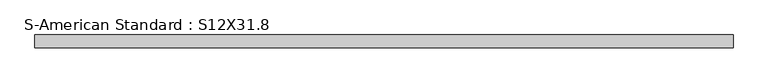
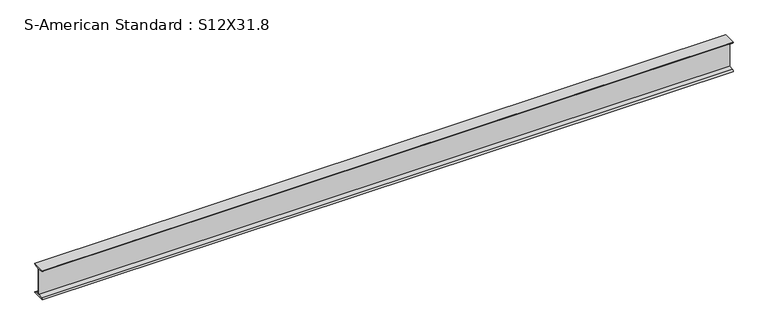
"""IFC4 building model written with IfcOpenShell, lengths in millimetres: beam geometry, S-American Standard : S12X31.8."""

from ifc_helpers import new_model, si_unit, point, frame, frame_2d, origin, place, context, project, spatial, polyline, circle_curve, trimmed, segment, composite_curve, outline, extrude, source, transform, mapped, element, save


def s_american_standard_s12x31_8_fdebaeaf(model_context):
    return source(origin(), model_context, "Body", "SweptSolid", [
        extrude(outline(composite_curve([segment(polyline([(-63.5, 152.4), (63.5, 152.4)]), True, "CONTINUOUS"), segment(trimmed(circle_curve(frame_2d((49.7, 152.4)), 13.8), [point((63.5, 152.4))], [point((49.7, 138.6))], False, "CARTESIAN"), True, "CONTINUOUS"), segment(polyline([(49.7, 138.6), (4.45, 131.4331041), (4.45, -131.4331041), (49.7, -138.6)]), True, "CONTINUOUS"), segment(trimmed(circle_curve(frame_2d((49.7, -152.4)), 13.8), [point((49.7, -138.6))], [point((63.5, -152.4))], False, "CARTESIAN"), True, "CONTINUOUS"), segment(polyline([(63.5, -152.4), (-63.5, -152.4)]), True, "CONTINUOUS"), segment(trimmed(circle_curve(frame_2d((-49.7, -152.4)), 13.8), [point((-63.5, -152.4))], [point((-49.7, -138.6))], False, "CARTESIAN"), True, "CONTINUOUS"), segment(polyline([(-49.7, -138.6), (-4.45, -131.4331041), (-4.45, 131.4331041), (-49.7, 138.6)]), True, "CONTINUOUS"), segment(trimmed(circle_curve(frame_2d((-49.7, 152.4)), 13.8), [point((-49.7, 138.6))], [point((-63.5, 152.4))], False, "CARTESIAN"), True, "CONTINUOUS")], self_intersect=False)), frame((-2791.0716053, 0.0, 0.0), z_axis=(1.0, 0.0, 0.0), x_axis=(0.0, 1.0, 0.0)), (0.0, 0.0, 1.0), 6815.5546439),
    ])


if __name__ == "__main__":
    model = new_model("IFC4")
    model_context = context("Model", 3, world=origin())
    ifc_project = project(units=[si_unit("LENGTHUNIT", "METRE", prefix="MILLI")], contexts=[model_context])
    site = spatial("IfcSite", under=ifc_project)
    building = spatial("IfcBuilding", under=site)
    placement = place(None, origin())
    s_american_standard_s12x31_8_shape = s_american_standard_s12x31_8_fdebaeaf(model_context)
    element("IfcBeam", 1, ObjectType="S-American Standard : S12X31.8", at=placement, inside=building, context=model_context, shape_type="MappedRepresentation", body=[
        mapped(s_american_standard_s12x31_8_shape, transform((0.0, 0.0, 0.0), x_axis=(1.0, 0.0, 0.0), y_axis=(0.0, 1.0, 0.0), z_axis=(0.0, 0.0, 1.0))),
    ])
    save(model, "model.ifc")
